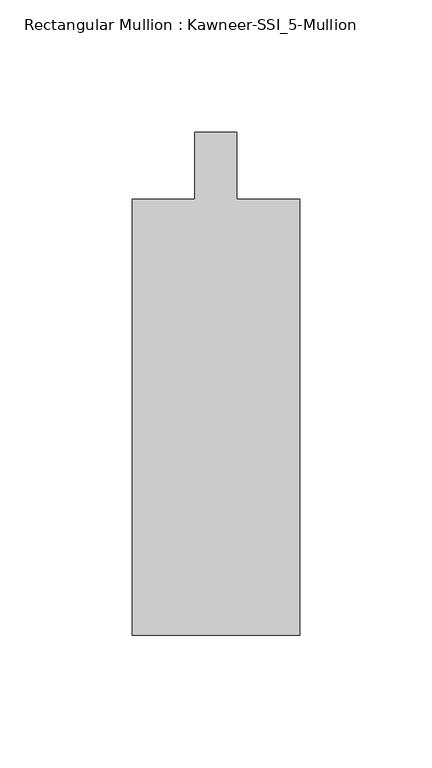
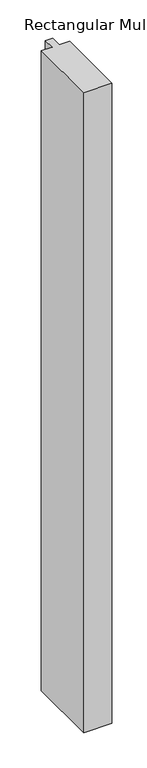
"""IFC4 building model written with IfcOpenShell, lengths in millimetres: member geometry, Rectangular Mullion : Kawneer-SSI_5-Mullion."""

from ifc_helpers import new_model, si_unit, frame, origin, place, context, project, spatial, polyline, outline, extrude, source, transform, mapped, element, save


def rectangular_mullion_kawneer_ssi_5_mullion_d35cede0(model_context):
    return source(origin(), model_context, "Body", "SweptSolid", [
        extrude(outline(polyline([(-31.75, -177.8), (-31.75, -12.7), (-7.9375, -12.7), (-7.9375, 12.7), (7.9375, 12.7), (7.9375, -12.7), (31.75, -12.7), (31.75, -177.8), (-31.75, -177.8)])), frame((0.0, 0.0, -1524.0), z_axis=(0.0, 0.0, 1.0), x_axis=(1.0, 0.0, 0.0)), (0.0, 0.0, 1.0), 1524.0),
    ])


if __name__ == "__main__":
    model = new_model("IFC4")
    model_context = context("Model", 3, world=origin())
    ifc_project = project(units=[si_unit("LENGTHUNIT", "METRE", prefix="MILLI")], contexts=[model_context])
    site = spatial("IfcSite", under=ifc_project)
    building = spatial("IfcBuilding", under=site)
    placement = place(None, origin())
    rectangular_mullion_kawneer_ssi_5_mullion_shape = rectangular_mullion_kawneer_ssi_5_mullion_d35cede0(model_context)
    element("IfcMember", 1, ObjectType="Rectangular Mullion : Kawneer-SSI_5-Mullion", at=placement, inside=building, context=model_context, shape_type="MappedRepresentation", body=[
        mapped(rectangular_mullion_kawneer_ssi_5_mullion_shape, transform((0.0, 0.0, 0.0), x_axis=(1.0, 0.0, 0.0), y_axis=(0.0, 1.0, 0.0), z_axis=(0.0, 0.0, 1.0))),
    ])
    save(model, "model.ifc")
